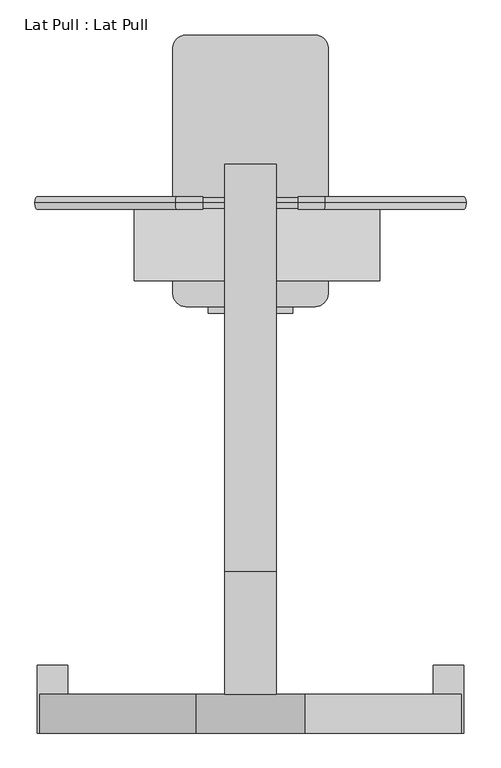
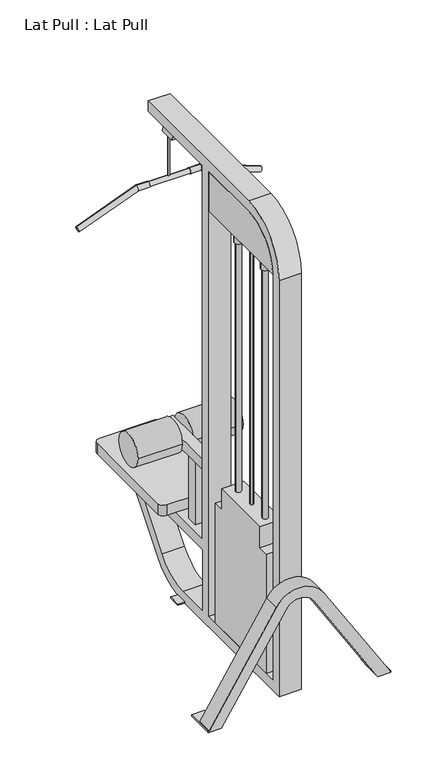
"""IFC4 building model written with IfcOpenShell, lengths in millimetres: proxy geometry, Lat Pull : Lat Pull."""

from ifc_helpers import new_model, si_unit, point, frame, frame_2d, origin, place, context, project, spatial, polyline, circle_curve, ellipse_curve, trimmed, segment, composite_curve, outline, extrude, source, transform, mapped, element, save
from ifc_brep_helpers import plane_surface, cylinder_surface, revolved_surface, advanced_brep


def lat_pull_lat_pull_27bbeeb0(model_context):
    return source(origin(), model_context, "Body", "SolidModel", [
        extrude(outline(polyline([(554.1749609, 33.8217128), (560.5249609, 33.8217128), (560.5249609, 27.4717128), (554.1749609, 27.4717128), (554.1749609, 33.8217128)])), frame((0.0, 0.0, 1917.7), z_axis=(0.0, 0.0, 1.0), x_axis=(1.0, 0.0, 0.0)), (0.0, 0.0, 1.0), 214.5283742),
        advanced_brep(
        [(981.0012338, 30.6467128, 1824.3099018), (971.8986879, 30.6467128, 1800.596959), (704.6270791, 30.6467128, 1930.4), (699.9194674, 30.6467128, 1905.0), (651.4732733, 30.6467128, 1930.4), (651.4732733, 30.6467128, 1905.0)],
        [
            (0, 1, circle_curve(frame((976.4499609, 30.6467128, 1812.4534304), z_axis=(0.9335804264972009, 0.0, -0.35836794954530266), x_axis=(-0.35836794954530266, 0.0, -0.9335804264972009)), 12.7)),
            (1, 0, circle_curve(frame((976.4499609, 30.6467128, 1812.4534304), z_axis=(0.9335804264972009, 0.0, -0.35836794954530266), x_axis=(-0.35836794954530266, 0.0, -0.9335804264972009)), 12.7)),
            (0, 2),
            (2, 3, ellipse_curve(frame((702.2732733, 30.6467128, 1917.7), z_axis=(0.9832549075639544, 0.0, -0.18223552549214878), x_axis=(-0.18223552549214903, 0.0, -0.9832549075639543)), 12.9162844, 12.7)),
            (3, 1),
            (3, 2, ellipse_curve(frame((702.2732733, 30.6467128, 1917.7), z_axis=(0.9832549075639544, 0.0, -0.18223552549214878), x_axis=(-0.18223552549214903, 0.0, -0.9832549075639543)), 12.9162844, 12.7)),
            (4, 5, circle_curve(frame((651.4732733, 30.6467128, 1917.7), z_axis=(-1.0, 0.0, 0.0), x_axis=(0.0, 0.0, -1.0)), 12.7)),
            (5, 4, circle_curve(frame((651.4732733, 30.6467128, 1917.7), z_axis=(-1.0, 0.0, 0.0), x_axis=(0.0, 0.0, -1.0)), 12.7)),
            (2, 4),
            (5, 3),
        ],
        [
            plane_surface(frame((976.4499609, 30.6467128, 1812.4534304), z_axis=(0.9335804264972009, 0.0, -0.35836794954530266), x_axis=(0.0, -1.0, 0.0))),
            cylinder_surface(frame((976.4499609, 30.6467128, 1812.4534304), z_axis=(0.9335804264972009, 0.0, -0.35836794954530266), x_axis=(-0.35836794954530266, 0.0, -0.9335804264972009)), 12.7),
            plane_surface(frame((651.4732733, 30.6467128, 1917.7), z_axis=(-1.0, 0.0, 0.0), x_axis=(0.0, -1.0, 0.0))),
            cylinder_surface(frame((702.2732733, 30.6467128, 1917.7), z_axis=(1.0, 0.0, 0.0), x_axis=(0.0, 0.0, -1.0)), 12.7),
        ],
        [
            (0, [[1, 2]]),
            (1, [[-1, 3, 4, 5]]),
            (1, [[-2, -5, 6, -3]]),
            (2, [[7, 8]]),
            (3, [[-4, 9, -8, 10]]),
            (3, [[-6, -10, -7, -9]]),
        ],
    ),
        extrude(outline(composite_curve([segment(trimmed(circle_curve(frame_2d((30.6467128, 1917.7)), 10.5698745), [point((30.6467128, 1928.2698745))], [point((30.6467128, 1907.1301255))], False, "CARTESIAN"), True, "CONTINUOUS"), segment(trimmed(circle_curve(frame_2d((30.6467128, 1917.7)), 10.5698745), [point((30.6467128, 1907.1301255))], [point((30.6467128, 1928.2698745))], False, "CARTESIAN"), True, "CONTINUOUS")], self_intersect=False)), frame((463.2266485, 0.0, 0.0), z_axis=(1.0, 0.0, 0.0), x_axis=(0.0, 1.0, 0.0)), (0.0, 0.0, 1.0), 188.2466248),
        advanced_brep(
        [(463.2266485, 30.6467128, 1930.4), (463.2266485, 30.6467128, 1905.0), (410.0728426, 30.6467128, 1930.4), (414.7804544, 30.6467128, 1905.0), (133.6986879, 30.6467128, 1824.3099018), (142.8012338, 30.6467128, 1800.596959)],
        [
            (0, 1, circle_curve(frame((463.2266485, 30.6467128, 1917.7), z_axis=(1.0, 0.0, 0.0), x_axis=(0.0, 0.0, -1.0)), 12.7)),
            (1, 0, circle_curve(frame((463.2266485, 30.6467128, 1917.7), z_axis=(1.0, 0.0, 0.0), x_axis=(0.0, 0.0, -1.0)), 12.7)),
            (0, 2),
            (2, 3, ellipse_curve(frame((412.4266485, 30.6467128, 1917.7), z_axis=(0.9832549075639544, 0.0, 0.18223552549214872), x_axis=(0.18223552549214833, 0.0, -0.9832549075639544)), 12.9162844, 12.7)),
            (3, 1),
            (3, 2, ellipse_curve(frame((412.4266485, 30.6467128, 1917.7), z_axis=(0.9832549075639544, 0.0, 0.18223552549214872), x_axis=(0.18223552549214833, 0.0, -0.9832549075639544)), 12.9162844, 12.7)),
            (4, 5, circle_curve(frame((138.2499609, 30.6467128, 1812.4534304), z_axis=(-0.9335804264972009, 0.0, -0.35836794954530266), x_axis=(0.35836794954530266, 0.0, -0.9335804264972009)), 12.7)),
            (5, 4, circle_curve(frame((138.2499609, 30.6467128, 1812.4534304), z_axis=(-0.9335804264972009, 0.0, -0.35836794954530266), x_axis=(0.35836794954530266, 0.0, -0.9335804264972009)), 12.7)),
            (2, 4),
            (5, 3),
        ],
        [
            plane_surface(frame((463.2266485, 30.6467128, 1917.7), z_axis=(1.0, 0.0, 0.0), x_axis=(0.0, -1.0, 0.0))),
            cylinder_surface(frame((463.2266485, 30.6467128, 1917.7), z_axis=(1.0, 0.0, 0.0), x_axis=(0.0, 0.0, -1.0)), 12.7),
            plane_surface(frame((138.2499609, 30.6467128, 1812.4534304), z_axis=(-0.9335804264972009, 0.0, -0.3583679495453026), x_axis=(0.0, -1.0, 0.0))),
            cylinder_surface(frame((412.4266485, 30.6467128, 1917.7), z_axis=(0.9335804264972009, 0.0, 0.35836794954530266), x_axis=(0.35836794954530266, 0.0, -0.9335804264972009)), 12.7),
        ],
        [
            (0, [[1, 2]]),
            (1, [[-1, 3, 4, 5]]),
            (1, [[-2, -5, 6, -3]]),
            (2, [[7, 8]]),
            (3, [[-4, 9, -8, 10]]),
            (3, [[-6, -10, -7, -9]]),
        ],
    ),
        extrude(outline(polyline([(-45.5532872, 2209.8), (30.6467128, 2209.8), (58.8804757, 2132.2283742), (-17.3195243, 2132.2283742), (-45.5532872, 2209.8)])), frame((544.6499609, 0.0, 0.0), z_axis=(1.0, 0.0, 0.0), x_axis=(0.0, 1.0, 0.0)), (0.0, 0.0, 1.0), 25.4),
        advanced_brep(
        [(198.1522238, -877.4032872, 6.35), (138.2499609, -877.4032872, 6.35), (138.2499609, -1010.7532872, 6.35), (142.2178813, -1010.7532872, 6.35), (142.2178813, -934.5532872, 6.35), (198.1522238, -934.5532872, 6.35), (976.4499609, -1010.7532872, 6.35), (976.4499609, -877.4032872, 6.35), (916.547698, -877.4032872, 6.35), (916.547698, -934.5532872, 6.35), (972.4820405, -934.5532872, 6.35), (972.4820405, -1010.7532872, 6.35), (474.7999609, -128.1032872, 6.35), (474.7999609, -185.2532872, 6.35), (506.5499609, -185.2532872, 6.35), (506.5499609, -128.1032872, 6.35), (639.8999609, -185.2532872, 6.35), (639.8999609, -128.1032872, 6.35), (608.1499609, -128.1032872, 6.35), (608.1499609, -185.2532872, 6.35), (474.7999609, -128.1032872, 0.0), (639.8999609, -128.1032872, 0.0), (639.8999609, -185.2532872, 0.0), (608.1499609, -185.2532872, 0.0), (608.1499609, -934.5532872, 0.0), (506.5499609, -934.5532872, 0.0), (506.5499609, -185.2532872, 0.0), (474.7999609, -185.2532872, 0.0), (916.547698, -877.4032872, 0.0), (976.4499609, -877.4032872, 0.0), (976.4499609, -1010.7532872, 0.0), (916.547698, -1010.7532872, 0.0), (916.547698, -934.5532872, 0.0), (198.1522238, -1010.7532872, 0.0), (138.2499609, -1010.7532872, 0.0), (138.2499609, -877.4032872, 0.0), (198.1522238, -877.4032872, 0.0), (198.1522238, -934.5532872, 0.0), (492.728696, -1010.7532872, 471.4208999), (621.9712258, -1010.7532872, 471.4208999), (665.0520691, -1010.7532872, 498.3407985), (449.6478527, -1010.7532872, 498.3407985), (506.5499609, -128.1032872, 3.7657301), (608.1499609, -128.1032872, 3.7657301), (621.9712258, -934.5532872, 471.4208999), (608.1499609, -934.5532872, 487.8371786), (608.1499609, -934.5532872, 547.4384746), (665.0520691, -934.5532872, 498.3407985), (492.728696, -934.5532872, 471.4208999), (449.6478527, -934.5532872, 498.3407985), (506.5499609, -934.5532872, 547.4384746), (506.5499609, -934.5532872, 487.8371786), (608.1499609, 34.5021662, 98.8602517), (608.1499609, 314.3957156, 444.5), (608.1499609, 249.0283297, 444.5), (608.1499609, 207.8913008, 393.7), (608.1499609, -324.9532872, 393.7), (608.1499609, -324.9532872, 2209.8), (608.1499609, 106.8467128, 2209.8), (608.1499609, 106.8467128, 2260.6), (608.1499609, -693.2532872, 2260.6), (608.1499609, -934.5532872, 2019.3), (608.1499609, -324.9532872, 342.9), (608.1499609, 166.7542719, 342.9), (608.1499609, -4.9768486, 130.8297276), (608.1499609, -172.7626617, 50.8), (608.1499609, -324.9532872, 50.8), (608.1499609, -883.7532872, 2019.3), (608.1499609, -693.2532872, 2209.8), (608.1499609, -375.7532872, 2209.8), (608.1499609, -375.7532872, 50.8), (608.1499609, -883.7532872, 50.8), (506.5499609, -934.5532872, 2019.3), (506.5499609, -693.2532872, 2260.6), (506.5499609, 106.8467128, 2260.6), (506.5499609, 106.8467128, 2209.8), (506.5499609, -324.9532872, 2209.8), (506.5499609, -324.9532872, 393.7), (506.5499609, 207.8913008, 393.7), (506.5499609, 249.0283297, 444.5), (506.5499609, 314.3957156, 444.5), (506.5499609, 34.5021662, 98.8602517), (506.5499609, -324.9532872, 342.9), (506.5499609, -324.9532872, 50.8), (506.5499609, -172.7626617, 50.8), (506.5499609, -4.9768486, 130.8297276), (506.5499609, 166.7542719, 342.9), (506.5499609, -883.7532872, 2019.3), (506.5499609, -883.7532872, 50.8), (506.5499609, -375.7532872, 50.8), (506.5499609, -375.7532872, 2209.8), (506.5499609, -693.2532872, 2209.8)],
        [
            (0, 1),
            (1, 2),
            (2, 3),
            (3, 4),
            (4, 5),
            (5, 0),
            (6, 7),
            (7, 8),
            (8, 9),
            (9, 10),
            (10, 11),
            (11, 6),
            (12, 13),
            (13, 14),
            (14, 15),
            (15, 12),
            (16, 17),
            (17, 18),
            (18, 19),
            (19, 16),
            (20, 21),
            (21, 22),
            (22, 23),
            (23, 24),
            (24, 25),
            (25, 26),
            (26, 27),
            (27, 20),
            (28, 29),
            (29, 30),
            (30, 31),
            (31, 32),
            (32, 28),
            (33, 34),
            (34, 35),
            (35, 36),
            (36, 37),
            (37, 33),
            (36, 0),
            (5, 37),
            (35, 1),
            (34, 2),
            (33, 38),
            (38, 39, circle_curve(frame((557.3499609, -1010.7532872, 431.0410519), z_axis=(0.0, 1.0, 0.0), x_axis=(0.0, 0.0, 1.0)), 76.2)),
            (39, 31),
            (30, 6),
            (11, 40),
            (40, 41, circle_curve(frame((557.3499609, -1010.7532872, 431.0410519), z_axis=(0.0, -1.0, 0.0), x_axis=(0.0, 0.0, 1.0)), 127.0)),
            (41, 3),
            (29, 7),
            (28, 8),
            (32, 9),
            (12, 20),
            (27, 13),
            (26, 14),
            (22, 16),
            (19, 23),
            (21, 17),
            (15, 42),
            (42, 43),
            (43, 18),
            (32, 44),
            (44, 45, circle_curve(frame((557.3499609, -934.5532872, 431.0410519), z_axis=(0.0, -1.0, 0.0), x_axis=(0.0, 0.0, 1.0)), 76.2)),
            (45, 46),
            (46, 47, circle_curve(frame((557.3499609, -934.5532872, 431.0410519), z_axis=(0.0, 1.0, 0.0), x_axis=(0.0, 0.0, 1.0)), 127.0)),
            (47, 10),
            (48, 37),
            (4, 49),
            (49, 50, circle_curve(frame((557.3499609, -934.5532872, 431.0410519), z_axis=(0.0, 1.0, 0.0), x_axis=(0.0, 0.0, 1.0)), 127.0)),
            (50, 51),
            (51, 48, circle_curve(frame((557.3499609, -934.5532872, 431.0410519), z_axis=(0.0, -1.0, 0.0), x_axis=(0.0, 0.0, 1.0)), 76.2)),
            (47, 40),
            (39, 44),
            (38, 48),
            (51, 45, circle_curve(frame((557.3499609, -934.5532872, 431.0410519), z_axis=(0.0, 1.0, 0.0), x_axis=(0.0, 0.0, 1.0)), 76.2)),
            (41, 49),
            (46, 50, circle_curve(frame((557.3499609, -934.5532872, 431.0410519), z_axis=(0.0, -1.0, 0.0), x_axis=(0.0, 0.0, 1.0)), 127.0)),
            (52, 53),
            (53, 54),
            (54, 55),
            (55, 56),
            (56, 57),
            (57, 58),
            (58, 59),
            (59, 60),
            (60, 61, circle_curve(frame((608.1499609, -693.2532872, 2019.3), z_axis=(1.0, 0.0, 0.0), x_axis=(0.0, 1.0, 0.0)), 241.3)),
            (61, 46),
            (45, 24),
            (43, 52, circle_curve(frame((608.1499609, -172.7626617, 266.7), z_axis=(1.0, 0.0, 0.0), x_axis=(0.0, 1.0, 0.0)), 266.7)),
            (62, 63),
            (63, 64),
            (64, 65, circle_curve(frame((608.1499609, -172.7626617, 266.7), z_axis=(-1.0, 0.0, 0.0), x_axis=(0.0, 1.0, 0.0)), 215.9)),
            (65, 66),
            (66, 62),
            (67, 68, circle_curve(frame((608.1499609, -693.2532872, 2019.3), z_axis=(-1.0, 0.0, 0.0), x_axis=(0.0, 1.0, 0.0)), 190.5)),
            (68, 69),
            (69, 70),
            (70, 71),
            (71, 67),
            (72, 73, circle_curve(frame((506.5499609, -693.2532872, 2019.3), z_axis=(-1.0, 0.0, 0.0), x_axis=(0.0, 1.0, 0.0)), 241.3)),
            (73, 74),
            (74, 75),
            (75, 76),
            (76, 77),
            (77, 78),
            (78, 79),
            (79, 80),
            (80, 81),
            (81, 42, circle_curve(frame((506.5499609, -172.7626617, 266.7), z_axis=(-1.0, 0.0, 0.0), x_axis=(0.0, 1.0, 0.0)), 266.7)),
            (25, 51),
            (50, 72),
            (82, 83),
            (83, 84),
            (84, 85, circle_curve(frame((506.5499609, -172.7626617, 266.7), z_axis=(1.0, 0.0, 0.0), x_axis=(0.0, 1.0, 0.0)), 215.9)),
            (85, 86),
            (86, 82),
            (87, 88),
            (88, 89),
            (89, 90),
            (90, 91),
            (91, 87, circle_curve(frame((506.5499609, -693.2532872, 2019.3), z_axis=(1.0, 0.0, 0.0), x_axis=(0.0, 1.0, 0.0)), 190.5)),
            (61, 72),
            (81, 52),
            (80, 53),
            (79, 54),
            (78, 55),
            (77, 56),
            (76, 57),
            (75, 58),
            (74, 59),
            (73, 60),
            (62, 82),
            (86, 63),
            (85, 64),
            (84, 65),
            (83, 66),
            (67, 87),
            (91, 68),
            (90, 69),
            (89, 70),
            (88, 71),
        ],
        [
            plane_surface(frame((198.1522238, -1010.7532872, 6.35), z_axis=(0.0, 0.0, 1.0), x_axis=(0.0, 1.0, 0.0))),
            plane_surface(frame((198.1522238, -1010.7532872, 0.0), z_axis=(0.0, 0.0, -1.0), x_axis=(0.0, -1.0, 0.0))),
            plane_surface(frame((198.1522238, -1010.7532872, 6.35), z_axis=(1.0, 0.0, 0.0), x_axis=(0.0, 0.0, -1.0))),
            plane_surface(frame((198.1522238, -877.4032872, 6.35), z_axis=(0.0, 1.0, 0.0), x_axis=(0.0, 0.0, -1.0))),
            plane_surface(frame((138.2499609, -877.4032872, 6.35), z_axis=(-1.0, 0.0, 0.0), x_axis=(0.0, 0.0, -1.0))),
            plane_surface(frame((138.2499609, -1010.7532872, 6.35), z_axis=(0.0, -1.0, 0.0), x_axis=(0.0, 0.0, -1.0))),
            plane_surface(frame((976.4499609, -1010.7532872, 6.35), z_axis=(1.0, 0.0, 0.0), x_axis=(0.0, 0.0, -1.0))),
            plane_surface(frame((976.4499609, -877.4032872, 6.35), z_axis=(0.0, 1.0, 0.0), x_axis=(0.0, 0.0, -1.0))),
            plane_surface(frame((916.547698, -877.4032872, 6.35), z_axis=(-1.0, 0.0, 0.0), x_axis=(0.0, 0.0, -1.0))),
            plane_surface(frame((474.7999609, -128.1032872, 6.35), z_axis=(-1.0, 0.0, 0.0), x_axis=(0.0, 0.0, -1.0))),
            plane_surface(frame((474.7999609, -185.2532872, 6.35), z_axis=(0.0, -1.0, 0.0), x_axis=(0.0, 0.0, -1.0))),
            plane_surface(frame((639.8999609, -185.2532872, 6.35), z_axis=(1.0, 0.0, 0.0), x_axis=(0.0, 0.0, -1.0))),
            plane_surface(frame((639.8999609, -128.1032872, 6.35), z_axis=(0.0, 1.0, 0.0), x_axis=(0.0, 0.0, -1.0))),
            plane_surface(frame((976.4499609, -934.5532872, 0.0), z_axis=(0.0, 1.0, 0.0), x_axis=(0.529919264233206, 0.0, -0.8480480961564253))),
            plane_surface(frame((665.0520691, -934.5532872, 498.3407985), z_axis=(0.8480480961564253, 0.0, 0.529919264233206), x_axis=(0.0, -1.0, 0.0))),
            plane_surface(frame((916.547698, -934.5532872, 0.0), z_axis=(-0.8480480961564253, 0.0, -0.529919264233206), x_axis=(0.0, -1.0, 0.0))),
            revolved_surface(polyline([(557.3499609, -1010.7532872, 507.2410519), (557.3499609, -934.5532872, 507.2410519)]), (557.3499609, -1010.7532872, 431.0410519), (0.0, -1.0, 0.0)),
            plane_surface(frame((492.728696, -934.5532872, 471.4208999), z_axis=(0.8480480961564253, 0.0, -0.529919264233206), x_axis=(0.0, -1.0, 0.0))),
            plane_surface(frame((138.2499609, -934.5532872, 0.0), z_axis=(-0.8480480961564253, 0.0, 0.529919264233206), x_axis=(0.0, -1.0, 0.0))),
            cylinder_surface(frame((557.3499609, -1010.7532872, 431.0410519), z_axis=(0.0, 1.0, 0.0), x_axis=(0.0, 0.0, 1.0)), 127.0),
            plane_surface(frame((608.1499609, -934.5532872, 0.0), z_axis=(1.0, 0.0, 0.0), x_axis=(0.0, 0.0, -1.0))),
            plane_surface(frame((506.5499609, -934.5532872, 0.0), z_axis=(-1.0, 0.0, 0.0), x_axis=(0.0, 0.0, 1.0))),
            plane_surface(frame((608.1499609, -934.5532872, 2019.3), z_axis=(0.0, -1.0, 0.0), x_axis=(-1.0, 0.0, 0.0))),
            cylinder_surface(frame((506.5499609, -172.7626617, 266.7), z_axis=(1.0, 0.0, 0.0), x_axis=(0.0, 1.0, 0.0)), 266.7),
            plane_surface(frame((608.1499609, 34.5021662, 98.8602517), z_axis=(0.0, 0.7771459614569703, -0.6293203910498382), x_axis=(-1.0, 0.0, 0.0))),
            plane_surface(frame((608.1499609, 314.3957156, 444.5), z_axis=(0.0, 0.0, 1.0), x_axis=(-1.0, 0.0, 0.0))),
            plane_surface(frame((608.1499609, 249.0283297, 444.5), z_axis=(0.0, -0.7771459614569705, 0.629320391049838), x_axis=(-1.0, 0.0, 0.0))),
            plane_surface(frame((608.1499609, 207.8913008, 393.7), z_axis=(0.0, 0.0, 1.0), x_axis=(-1.0, 0.0, 0.0))),
            plane_surface(frame((608.1499609, -324.9532872, 393.7), z_axis=(0.0, 1.0, 0.0), x_axis=(-1.0, 0.0, 0.0))),
            plane_surface(frame((608.1499609, -324.9532872, 2209.8), z_axis=(0.0, 0.0, -1.0), x_axis=(-1.0, 0.0, 0.0))),
            plane_surface(frame((608.1499609, 106.8467128, 2209.8), z_axis=(0.0, 1.0, 0.0), x_axis=(-1.0, 0.0, 0.0))),
            plane_surface(frame((608.1499609, 106.8467128, 2260.6), z_axis=(0.0, 0.0, 1.0), x_axis=(-1.0, 0.0, 0.0))),
            cylinder_surface(frame((506.5499609, -693.2532872, 2019.3), z_axis=(1.0, 0.0, 0.0), x_axis=(0.0, 1.0, 0.0)), 241.3),
            plane_surface(frame((608.1499609, -324.9532872, 342.9), z_axis=(0.0, 0.0, -1.0), x_axis=(-1.0, 0.0, 0.0))),
            plane_surface(frame((608.1499609, 166.7542719, 342.9), z_axis=(0.0, -0.7771459614569702, 0.6293203910498382), x_axis=(-1.0, 0.0, 0.0))),
            revolved_surface(polyline([(506.5499609, 43.13733830000001, 266.7), (608.1499609, 43.13733830000001, 266.7)]), (557.3499609, -172.7626617, 266.7), (-1.0, 0.0, 0.0)),
            plane_surface(frame((608.1499609, -172.7626617, 50.8), z_axis=(0.0, 0.0, 1.0), x_axis=(-1.0, 0.0, 0.0))),
            plane_surface(frame((608.1499609, -324.9532872, 50.8), z_axis=(0.0, 1.0, 0.0), x_axis=(-1.0, 0.0, 0.0))),
            revolved_surface(polyline([(506.5499609, -502.75328720000005, 2019.3), (608.1499609, -502.75328720000005, 2019.3)]), (557.3499609, -693.2532872, 2019.3), (-1.0, 0.0, 0.0)),
            plane_surface(frame((608.1499609, -693.2532872, 2209.8), z_axis=(0.0, 0.0, -1.0), x_axis=(-1.0, 0.0, 0.0))),
            plane_surface(frame((608.1499609, -375.7532872, 2209.8), z_axis=(0.0, -1.0, 0.0), x_axis=(-1.0, 0.0, 0.0))),
            plane_surface(frame((608.1499609, -375.7532872, 50.8), z_axis=(0.0, 0.0, 1.0), x_axis=(-1.0, 0.0, 0.0))),
            plane_surface(frame((608.1499609, -883.7532872, 50.8), z_axis=(0.0, 1.0, 0.0), x_axis=(-1.0, 0.0, 0.0))),
        ],
        [
            (0, [[1, 2, 3, 4, 5, 6]]),
            (0, [[7, 8, 9, 10, 11, 12]]),
            (0, [[13, 14, 15, 16]]),
            (0, [[17, 18, 19, 20]]),
            (1, [[21, 22, 23, 24, 25, 26, 27, 28]]),
            (1, [[29, 30, 31, 32, 33]]),
            (1, [[34, 35, 36, 37, 38]]),
            (2, [[39, -6, 40, -37]]),
            (3, [[-1, -39, -36, 41]]),
            (4, [[-2, -41, -35, 42]]),
            (5, [[-34, 43, 44, 45, -31, 46, -12, 47, 48, 49, -3, -42]]),
            (6, [[-7, -46, -30, 50]]),
            (7, [[-8, -50, -29, 51]]),
            (8, [[-51, -33, 52, -9]]),
            (9, [[-13, 53, -28, 54]]),
            (10, [[-54, -27, 55, -14]]),
            (10, [[56, -20, 57, -23]]),
            (11, [[-17, -56, -22, 58]]),
            (12, [[-21, -53, -16, 59, 60, 61, -18, -58]]),
            (13, [[62, 63, 64, 65, 66, -10, -52]]),
            (13, [[67, -40, -5, 68, 69, 70, 71]]),
            (14, [[72, -47, -11, -66]]),
            (15, [[-62, -32, -45, 73]]),
            (16, [[-44, 74, -71, 75, -63, -73]]),
            (17, [[-67, -74, -43, -38]]),
            (18, [[76, -68, -4, -49]]),
            (19, [[-48, -72, -65, 77, -69, -76]]),
            (20, [[78, 79, 80, 81, 82, 83, 84, 85, 86, 87, -64, 88, -24, -57, -19, -61, 89], [90, 91, 92, 93, 94], [95, 96, 97, 98, 99]]),
            (21, [[100, 101, 102, 103, 104, 105, 106, 107, 108, 109, -59, -15, -55, -26, 110, -70, 111], [112, 113, 114, 115, 116], [117, 118, 119, 120, 121]]),
            (22, [[-25, -88, -75, -110]]),
            (22, [[122, -111, -77, -87]]),
            (23, [[123, -89, -60, -109]]),
            (24, [[-78, -123, -108, 124]]),
            (25, [[-79, -124, -107, 125]]),
            (26, [[-80, -125, -106, 126]]),
            (27, [[-81, -126, -105, 127]]),
            (28, [[-82, -127, -104, 128]]),
            (29, [[-83, -128, -103, 129]]),
            (30, [[-84, -129, -102, 130]]),
            (31, [[-85, -130, -101, 131]]),
            (32, [[-86, -131, -100, -122]]),
            (33, [[-90, 132, -116, 133]]),
            (34, [[-91, -133, -115, 134]]),
            (35, [[-92, -134, -114, 135]]),
            (36, [[-93, -135, -113, 136]]),
            (37, [[-94, -136, -112, -132]]),
            (38, [[-95, 137, -121, 138]]),
            (39, [[-96, -138, -120, 139]]),
            (40, [[-97, -139, -119, 140]]),
            (41, [[-98, -140, -118, 141]]),
            (42, [[-99, -141, -117, -137]]),
        ],
    ),
        extrude(outline(polyline([(557.3499609, -622.4209387), (563.6999609, -626.0871129), (563.6999609, -633.4194614), (557.3499609, -637.0856356), (550.9999609, -633.4194614), (550.9999609, -626.0871129), (557.3499609, -622.4209387)])), frame((0.0, 0.0, 732.1656409), z_axis=(0.0, 0.0, 1.0), x_axis=(1.0, 0.0, 0.0)), (0.0, 0.0, 1.0), 1287.1343591),
        extrude(outline(composite_curve([segment(trimmed(circle_curve(frame_2d((557.3499609, -523.4209613)), 19.05), [point((538.2999609, -523.4209613))], [point((576.3999609, -523.4209613))], False, "CARTESIAN"), True, "CONTINUOUS"), segment(trimmed(circle_curve(frame_2d((557.3499609, -523.4209613)), 19.05), [point((576.3999609, -523.4209613))], [point((538.2999609, -523.4209613))], False, "CARTESIAN"), True, "CONTINUOUS")], self_intersect=False)), frame((0.0, 0.0, 1942.9217688), z_axis=(0.0, 0.0, 1.0), x_axis=(1.0, 0.0, 0.0)), (0.0, 0.0, 1.0), 76.3782312),
        extrude(outline(composite_curve([segment(trimmed(circle_curve(frame_2d((557.3499609, -736.085613)), 19.05), [point((538.2999609, -736.085613))], [point((576.3999609, -736.085613))], False, "CARTESIAN"), True, "CONTINUOUS"), segment(trimmed(circle_curve(frame_2d((557.3499609, -736.085613)), 19.05), [point((576.3999609, -736.085613))], [point((538.2999609, -736.085613))], False, "CARTESIAN"), True, "CONTINUOUS")], self_intersect=False)), frame((0.0, 0.0, 1942.9217688), z_axis=(0.0, 0.0, 1.0), x_axis=(1.0, 0.0, 0.0)), (0.0, 0.0, 1.0), 76.3782312),
        extrude(outline(composite_curve([segment(polyline([(-375.7532872, 2209.8), (-375.7532872, 2019.3), (-883.7532872, 2019.3)]), True, "CONTINUOUS"), segment(trimmed(circle_curve(frame_2d((-693.2532872, 2019.3)), 190.5), [point((-883.7532872, 2019.3))], [point((-693.2532872, 2209.8))], False, "CARTESIAN"), True, "CONTINUOUS"), segment(polyline([(-693.2532872, 2209.8), (-375.7532872, 2209.8)]), True, "CONTINUOUS")], self_intersect=False)), frame((506.5499609, 0.0, 0.0), z_axis=(1.0, 0.0, 0.0), x_axis=(0.0, 1.0, 0.0)), (0.0, 0.0, 1.0), 101.6),
        extrude(outline(composite_curve([segment(trimmed(circle_curve(frame_2d((557.3499609, -523.4209613)), 12.7), [point((544.6499609, -523.4209613))], [point((570.0499609, -523.4209613))], False, "CARTESIAN"), True, "CONTINUOUS"), segment(trimmed(circle_curve(frame_2d((557.3499609, -523.4209613)), 12.7), [point((570.0499609, -523.4209613))], [point((544.6499609, -523.4209613))], False, "CARTESIAN"), True, "CONTINUOUS")], self_intersect=False)), frame((0.0, 0.0, 732.1656409), z_axis=(0.0, 0.0, 1.0), x_axis=(1.0, 0.0, 0.0)), (0.0, 0.0, 1.0), 1210.7561279),
        extrude(outline(composite_curve([segment(trimmed(circle_curve(frame_2d((557.3499609, -736.085613)), 12.7), [point((544.6499609, -736.085613))], [point((570.0499609, -736.085613))], False, "CARTESIAN"), True, "CONTINUOUS"), segment(trimmed(circle_curve(frame_2d((557.3499609, -736.085613)), 12.7), [point((570.0499609, -736.085613))], [point((544.6499609, -736.085613))], False, "CARTESIAN"), True, "CONTINUOUS")], self_intersect=False)), frame((0.0, 0.0, 732.1656409), z_axis=(0.0, 0.0, 1.0), x_axis=(1.0, 0.0, 0.0)), (0.0, 0.0, 1.0), 1210.7561279),
        extrude(outline(polyline([(-832.9532872, 50.8), (-832.9532872, 630.5656409), (-782.1532872, 630.5656409), (-782.1532872, 732.1656409), (-477.3532872, 732.1656409), (-477.3532872, 630.5656409), (-426.5532872, 630.5656409), (-426.5532872, 50.8), (-832.9532872, 50.8)])), frame((506.5499609, 0.0, 0.0), z_axis=(1.0, 0.0, 0.0), x_axis=(0.0, 1.0, 0.0)), (0.0, 0.0, 1.0), 101.6),
        extrude(outline(composite_curve([segment(trimmed(circle_curve(frame_2d((-45.5532872, 723.9)), 76.2), [point((-121.7532872, 723.9))], [point((30.6467128, 723.9))], False, "CARTESIAN"), True, "CONTINUOUS"), segment(trimmed(circle_curve(frame_2d((-45.5532872, 723.9)), 76.2), [point((30.6467128, 723.9))], [point((-121.7532872, 723.9))], False, "CARTESIAN"), True, "CONTINUOUS")], self_intersect=False)), frame((328.7499609, 0.0, 0.0), z_axis=(1.0, 0.0, 0.0), x_axis=(0.0, 1.0, 0.0)), (0.0, 0.0, 1.0), 203.2),
        extrude(outline(composite_curve([segment(trimmed(circle_curve(frame_2d((-45.5532872, 723.9)), 76.2), [point((-121.7532872, 723.9))], [point((30.6467128, 723.9))], False, "CARTESIAN"), True, "CONTINUOUS"), segment(trimmed(circle_curve(frame_2d((-45.5532872, 723.9)), 76.2), [point((30.6467128, 723.9))], [point((-121.7532872, 723.9))], False, "CARTESIAN"), True, "CONTINUOUS")], self_intersect=False)), frame((582.7499609, 0.0, 0.0), z_axis=(1.0, 0.0, 0.0), x_axis=(0.0, 1.0, 0.0)), (0.0, 0.0, 1.0), 228.6),
        extrude(outline(polyline([(582.7499609, -324.9532872), (531.9499609, -324.9532872), (531.9499609, 37.489017), (582.7499609, 37.489017), (582.7499609, -324.9532872)])), frame((0.0, 0.0, 698.5), z_axis=(0.0, 0.0, 1.0), x_axis=(1.0, 0.0, 0.0)), (0.0, 0.0, 1.0), 50.8),
        extrude(outline(polyline([(582.7499609, -172.7626617), (582.7499609, -223.5626617), (531.9499609, -223.5626617), (531.9499609, -172.7626617), (582.7499609, -172.7626617)])), frame((0.0, 0.0, 393.7), z_axis=(0.0, 0.0, 1.0), x_axis=(1.0, 0.0, 0.0)), (0.0, 0.0, 1.0), 304.8),
        extrude(outline(composite_curve([segment(trimmed(circle_curve(frame_2d((684.3499609, 335.4467128)), 25.4), [point((684.3499609, 360.8467128))], [point((709.7499609, 335.4467128))], False, "CARTESIAN"), True, "CONTINUOUS"), segment(polyline([(709.7499609, 335.4467128), (709.7499609, -147.1532872)]), True, "CONTINUOUS"), segment(trimmed(circle_curve(frame_2d((684.3499609, -147.1532872)), 25.4), [point((709.7499609, -147.1532872))], [point((684.3499609, -172.5532872))], False, "CARTESIAN"), True, "CONTINUOUS"), segment(polyline([(684.3499609, -172.5532872), (430.3499609, -172.5532872)]), True, "CONTINUOUS"), segment(trimmed(circle_curve(frame_2d((430.3499609, -147.1532872)), 25.4), [point((430.3499609, -172.5532872))], [point((404.9499609, -147.1532872))], False, "CARTESIAN"), True, "CONTINUOUS"), segment(polyline([(404.9499609, -147.1532872), (404.9499609, 335.4467128)]), True, "CONTINUOUS"), segment(trimmed(circle_curve(frame_2d((430.3499609, 335.4467128)), 25.4), [point((404.9499609, 335.4467128))], [point((430.3499609, 360.8467128))], False, "CARTESIAN"), True, "CONTINUOUS"), segment(polyline([(430.3499609, 360.8467128), (684.3499609, 360.8467128)]), True, "CONTINUOUS")], self_intersect=False)), frame((0.0, 0.0, 444.5), z_axis=(0.0, 0.0, 1.0), x_axis=(1.0, 0.0, 0.0)), (0.0, 0.0, 1.0), 50.8),
    ])


if __name__ == "__main__":
    model = new_model("IFC4")
    model_context = context("Model", 3, world=origin())
    ifc_project = project(units=[si_unit("LENGTHUNIT", "METRE", prefix="MILLI")], contexts=[model_context])
    site = spatial("IfcSite", under=ifc_project)
    building = spatial("IfcBuilding", under=site)
    placement = place(None, origin())
    lat_pull_lat_pull_shape = lat_pull_lat_pull_27bbeeb0(model_context)
    element("IfcBuildingElementProxy", 1, Name="Lat Pull : Lat Pull", ObjectType="Lat Pull : Lat Pull", at=placement, inside=building, context=model_context, shape_type="MappedRepresentation", body=[
        mapped(lat_pull_lat_pull_shape, transform((0.0, 0.0, 0.0), x_axis=(1.0, 0.0, 0.0), y_axis=(0.0, 1.0, 0.0), z_axis=(0.0, 0.0, 1.0))),
    ])
    save(model, "model.ifc")
